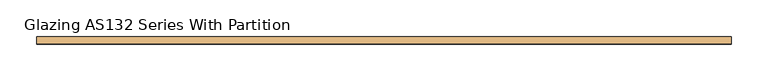
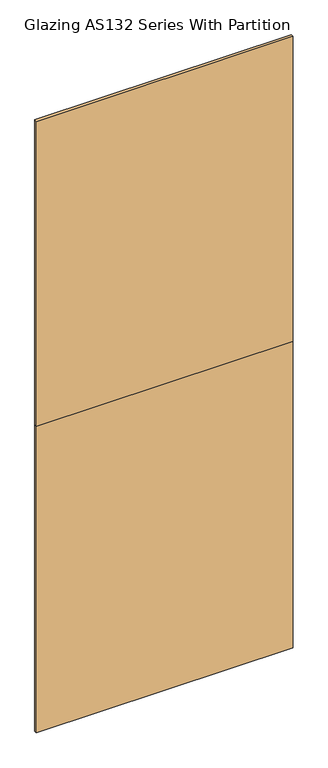
"""IFC4 building model written with IfcOpenShell, lengths in millimetres: door geometry, Glazing AS132 Series With Partition."""

from ifc_helpers import new_model, si_unit, frame, origin, place, context, project, spatial, polyline, outline, extrude, source, transform, mapped, element, save


def glazing_as132_series_with_partition_ef44bb2f(model_context):
    return source(origin(), model_context, "Body", "SweptSolid", [
        extrude(outline(polyline([(474.9581994, 5.0), (474.9581994, -5.0), (-474.9581994, -5.0), (-474.9581994, 5.0), (474.9581994, 5.0)])), frame((0.0, 0.0, 1.5559478), z_axis=(0.0, 0.0, 1.0), x_axis=(1.0, 0.0, 0.0)), (0.0, 0.0, 1.0), 1196.9585216),
        extrude(outline(polyline([(474.9581994, 5.0), (474.9581994, -5.0), (-474.9581994, -5.0), (-474.9581994, 5.0), (474.9581994, 5.0)])), frame((0.0, 0.0, 1200.0), z_axis=(0.0, 0.0, 1.0), x_axis=(1.0, 0.0, 0.0)), (0.0, 0.0, 1.0), 1192.9967846),
    ])


if __name__ == "__main__":
    model = new_model("IFC4")
    model_context = context("Model", 3, world=origin())
    ifc_project = project(units=[si_unit("LENGTHUNIT", "METRE", prefix="MILLI")], contexts=[model_context])
    site = spatial("IfcSite", under=ifc_project)
    building = spatial("IfcBuilding", under=site)
    placement = place(None, origin())
    glazing_as132_series_with_partition_shape = glazing_as132_series_with_partition_ef44bb2f(model_context)
    element("IfcDoor", 1, ObjectType="Glazing AS132 Series With Partition", at=placement, inside=building, context=model_context, shape_type="MappedRepresentation", body=[
        mapped(glazing_as132_series_with_partition_shape, transform((0.0, 0.0, 0.0), x_axis=(1.0, 0.0, 0.0), y_axis=(0.0, 1.0, 0.0), z_axis=(0.0, 0.0, 1.0))),
    ])
    save(model, "model.ifc")
